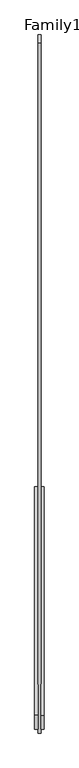
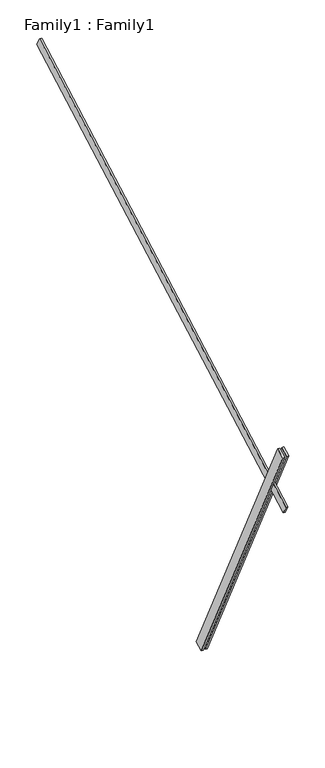
"""IFC4 building model written with IfcOpenShell, lengths in millimetres: proxy geometry, Family1 : Family1."""

from ifc_helpers import new_model, si_unit, frame, origin, place, context, project, spatial, polyline, outline, extrude, source, transform, mapped, element, save


def family1_family1_feb9d4b4(model_context):
    return source(origin(), model_context, "Body", "SweptSolid", [
        extrude(outline(polyline([(0.0, 0.0), (-100.0000001, 0.0), (-100.0000001, 20.0), (0.0, 20.0), (0.0, 0.0)])), frame((-30.0, -46.3241747, -22.5938096), z_axis=(0.0, -0.4383711467890692, 0.8987940462991711), x_axis=(0.0, -0.8987940462991711, -0.4383711467890692)), (0.0, 0.0, 1.0), 3300.0),
        extrude(outline(polyline([(0.0, 0.0), (-99.9999999, 0.0), (-99.9999999, 20.0), (0.0, 20.0), (0.0, 0.0)])), frame((10.0, -45.270232, -22.0797674), z_axis=(0.0, -0.4383711467890692, 0.8987940462991711), x_axis=(0.0, -0.8987940462991711, -0.4383711467890692)), (0.0, 0.0, 1.0), 3300.0),
        extrude(outline(polyline([(0.0, 20.0), (5000.0, 20.0), (5000.0, 0.0), (0.0, 0.0), (0.0, 20.0)])), frame((-10.0, 2905.9942018, 4750.6551806), z_axis=(0.0, -0.48480962024633906, 0.8746197071393949), x_axis=(0.0, -0.8746197071393949, -0.48480962024633906)), (0.0, 0.0, 1.0), 100.0),
    ])


if __name__ == "__main__":
    model = new_model("IFC4")
    model_context = context("Model", 3, world=origin())
    ifc_project = project(units=[si_unit("LENGTHUNIT", "METRE", prefix="MILLI")], contexts=[model_context])
    site = spatial("IfcSite", under=ifc_project)
    building = spatial("IfcBuilding", under=site)
    placement = place(None, origin())
    family1_family1_shape = family1_family1_feb9d4b4(model_context)
    element("IfcBuildingElementProxy", 1, Name="Family1 : Family1", ObjectType="Family1 : Family1", at=placement, inside=building, context=model_context, shape_type="MappedRepresentation", body=[
        mapped(family1_family1_shape, transform((0.0, 0.0, 0.0), x_axis=(1.0, 0.0, 0.0), y_axis=(0.0, 1.0, 0.0), z_axis=(0.0, 0.0, 1.0))),
    ])
    save(model, "model.ifc")
